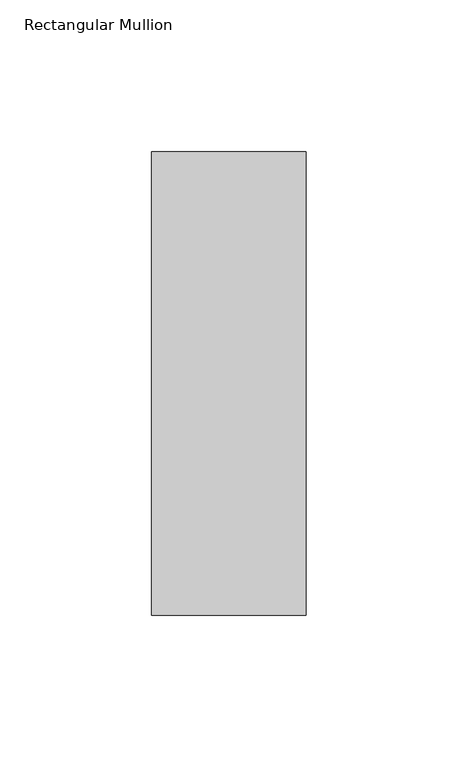
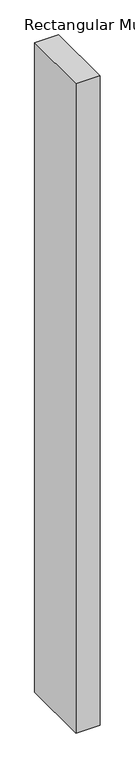
"""IFC4 building model written with IfcOpenShell, lengths in millimetres: member geometry, Rectangular Mullion."""

from ifc_helpers import new_model, si_unit, frame, origin, place, context, project, spatial, polyline, outline, extrude, source, transform, mapped, element, save


def rectangular_mullion_53ec3f48(model_context):
    return source(origin(), model_context, "Body", "SweptSolid", [
        extrude(outline(polyline([(0.0, 26.19375), (0.0, -126.20625), (-50.8, -126.20625), (-50.8, 26.19375), (0.0, 26.19375)])), frame((0.0, 0.0, -1460.5), z_axis=(0.0, 0.0, 1.0), x_axis=(1.0, 0.0, 0.0)), (0.0, 0.0, 1.0), 1460.5),
    ])


if __name__ == "__main__":
    model = new_model("IFC4")
    model_context = context("Model", 3, world=origin())
    ifc_project = project(units=[si_unit("LENGTHUNIT", "METRE", prefix="MILLI")], contexts=[model_context])
    site = spatial("IfcSite", under=ifc_project)
    building = spatial("IfcBuilding", under=site)
    placement = place(None, origin())
    rectangular_mullion_shape = rectangular_mullion_53ec3f48(model_context)
    element("IfcMember", 1, ObjectType="Rectangular Mullion", at=placement, inside=building, context=model_context, shape_type="MappedRepresentation", body=[
        mapped(rectangular_mullion_shape, transform((0.0, 0.0, 0.0), x_axis=(1.0, 0.0, 0.0), y_axis=(0.0, 1.0, 0.0), z_axis=(0.0, 0.0, 1.0))),
    ])
    save(model, "model.ifc")
